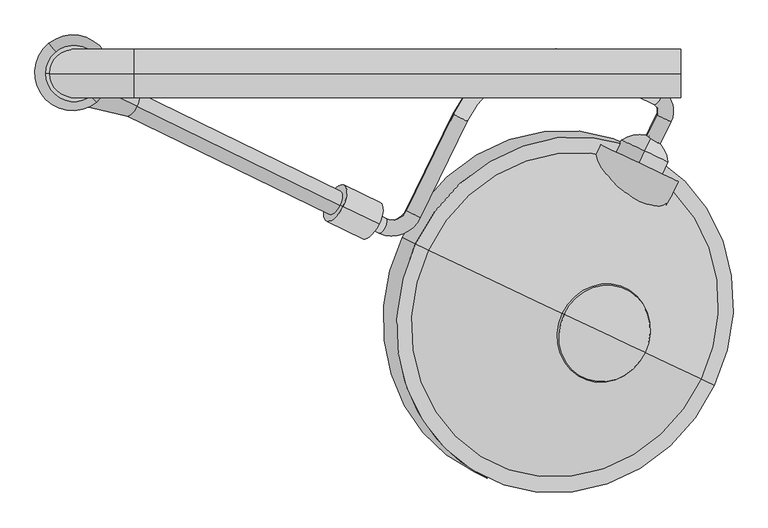
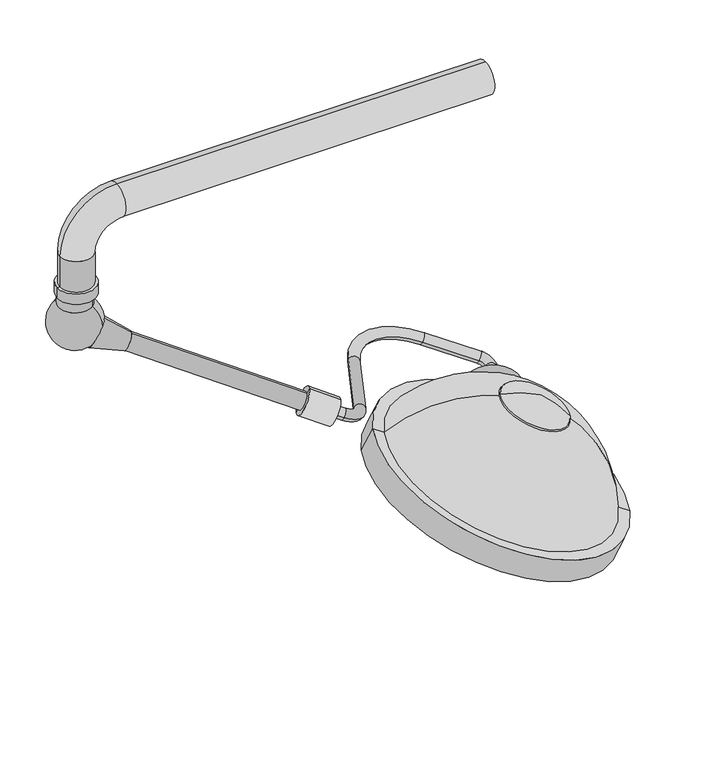
"""IFC4 building model written with IfcOpenShell, lengths in millimetres: proxy geometry."""

from ifc_helpers import new_model, si_unit, point, frame, frame_2d, origin, origin_2d, place, context, project, spatial, polyline, circle_curve, ellipse_curve, trimmed, segment, composite_curve, outline, extrude, source, transform, mapped, element, save
from ifc_brep_helpers import plane_surface, cylinder_surface, revolved_surface, advanced_brep


def specialty_equipment_cc954717(model_context):
    return source(origin(), model_context, "Body", "SolidModel", [
        advanced_brep(
        [(-51.3241797, -117.1586383, 1699.7604265), (-72.1798458, -106.9866502, 1710.0915373), (-30.6483179, -74.7668394, 1699.7604265), (-51.503984, -64.5948514, 1710.0915373), (-56.3645035, -48.094173, 1715.2570926), (-45.2298764, -25.2648042, 1715.2570926), (-148.7448243, 25.2228093, 1766.5344952), (-159.8794514, 2.3934405, 1766.5344952), (-351.8212111, -73.5508439, 1828.5211596), (-372.6768772, -63.3788559, 1838.8522704), (-446.9378356, -215.6363841, 1838.8522704), (-426.0821694, -225.8083721, 1828.5211596), (-490.062756, -251.1231336, 1849.1833811), (-478.9281288, -228.2937648, 1849.1833811), (-557.8921303, -189.780448, 1888.2991704), (-569.0267574, -212.6098168, 1888.2991704)],
        [
            (0, 1, circle_curve(frame((-61.7520127, -112.0726442, 1704.9259819), z_axis=(-0.43837114678908723, -0.8987940462991624, 0.0), x_axis=(-0.8210892183528128, 0.4004719699107489, 0.4067366430758002)), 12.7)),
            (1, 0, circle_curve(frame((-61.7520127, -112.0726442, 1704.9259819), z_axis=(-0.43837114678908723, -0.8987940462991624, 0.0), x_axis=(-0.8210892183528128, 0.4004719699107489, 0.4067366430758002)), 12.7)),
            (0, 2),
            (2, 3, circle_curve(frame((-41.0761509, -69.6808454, 1704.9259819), z_axis=(-0.43837114678908723, -0.8987940462991624, 0.0), x_axis=(-0.8210892183528128, 0.4004719699107489, 0.4067366430758002)), 12.7)),
            (3, 1),
            (3, 2, circle_curve(frame((-41.0761509, -69.6808454, 1704.9259819), z_axis=(-0.43837114678908723, -0.8987940462991624, 0.0), x_axis=(-0.8210892183528128, 0.4004719699107489, 0.4067366430758002)), 12.7)),
            (4, 3, circle_curve(frame((-61.9318171, -59.5088573, 1715.2570926), z_axis=(-0.36557247320823727, 0.17830160866628114, -0.9135454576426009), x_axis=(0.8210892183528128, -0.400471969910749, -0.4067366430758004)), 12.7)),
            (2, 5, circle_curve(frame((-61.9318171, -59.5088573, 1715.2570926), z_axis=(0.36557247320823727, -0.17830160866628114, 0.9135454576426009), x_axis=(0.8210892183528128, -0.400471969910749, -0.4067366430758004)), 38.1)),
            (5, 4, circle_curve(frame((-50.79719, -36.6794886, 1715.2570926), z_axis=(0.8210892183528081, -0.40047196991075856, -0.40673664307580026), x_axis=(-0.43837114678909606, -0.8987940462991579, 0.0)), 12.7)),
            (4, 5, circle_curve(frame((-50.79719, -36.6794886, 1715.2570926), z_axis=(0.8210892183528035, -0.4004719699107681, -0.40673664307580026), x_axis=(-0.43837114678910477, -0.8987940462991536, 0.0)), 12.7)),
            (5, 6),
            (6, 7, circle_curve(frame((-154.3121378, 13.8081249, 1766.5344952), z_axis=(0.821089218352813, -0.4004719699107487, -0.4067366430758005), x_axis=(-0.438371146789087, -0.8987940462991624, 0.0)), 12.7)),
            (7, 4),
            (7, 6, circle_curve(frame((-154.3121378, 13.8081249, 1766.5344952), z_axis=(0.821089218352813, -0.4004719699107487, -0.4067366430758005), x_axis=(-0.438371146789087, -0.8987940462991624, 0.0)), 12.7)),
            (8, 7, circle_curve(frame((-226.6872142, -134.5827721, 1766.5344952), z_axis=(-0.36557247320823727, 0.17830160866628114, -0.9135454576426009), x_axis=(0.43837114678909245, 0.8987940462991597, 0.0)), 152.4)),
            (6, 9, circle_curve(frame((-226.6872142, -134.5827721, 1766.5344952), z_axis=(0.36557247320823727, -0.17830160866628114, 0.9135454576426009), x_axis=(0.43837114678909245, 0.8987940462991597, 0.0)), 177.8)),
            (9, 8, circle_curve(frame((-362.2490441, -68.4648499, 1833.686715), z_axis=(0.4383711467890857, 0.898794046299163, 0.0), x_axis=(0.8210892183528137, -0.40047196991074724, -0.4067366430758006)), 12.7)),
            (8, 9, circle_curve(frame((-362.2490441, -68.4648499, 1833.686715), z_axis=(0.43837114678908473, 0.8987940462991635, 0.0), x_axis=(0.8210892183528142, -0.40047196991074624, -0.4067366430758006)), 12.7)),
            (9, 10),
            (10, 11, circle_curve(frame((-436.5100025, -220.7223781, 1833.686715), z_axis=(0.43837114678908573, 0.898794046299163, 0.0), x_axis=(0.8210892183528136, -0.4004719699107472, -0.40673664307580054)), 12.7)),
            (11, 8),
            (11, 10, circle_curve(frame((-436.5100025, -220.7223781, 1833.686715), z_axis=(0.43837114678908573, 0.898794046299163, 0.0), x_axis=(0.8210892183528136, -0.4004719699107472, -0.40673664307580054)), 12.7)),
            (12, 11, circle_curve(frame((-467.7935017, -205.464396, 1849.1833811), z_axis=(0.36557247320823727, -0.17830160866628114, 0.9135454576426009), x_axis=(0.8210892183528162, -0.40047196991074197, -0.4067366430758004)), 50.8)),
            (10, 13, circle_curve(frame((-467.7935017, -205.464396, 1849.1833811), z_axis=(-0.36557247320823727, 0.17830160866628114, -0.9135454576426009), x_axis=(0.8210892183528162, -0.40047196991074197, -0.4067366430758004)), 25.4)),
            (13, 12, circle_curve(frame((-484.4954424, -239.7084492, 1849.1833811), z_axis=(0.8210892183528163, -0.40047196991074174, -0.40673664307580043), x_axis=(-0.4383711467890809, -0.8987940462991653, 0.0)), 12.7)),
            (12, 13, circle_curve(frame((-484.4954424, -239.7084492, 1849.1833811), z_axis=(0.8210892183528163, -0.40047196991074174, -0.40673664307580043), x_axis=(-0.4383711467890809, -0.8987940462991653, 0.0)), 12.7)),
            (14, 15, circle_curve(frame((-563.4594439, -201.1951324, 1888.2991704), z_axis=(-0.8210892183528147, 0.40047196991074596, 0.4067366430757996), x_axis=(-0.4383711467890845, -0.8987940462991636, 0.0)), 12.7)),
            (15, 14, circle_curve(frame((-563.4594439, -201.1951324, 1888.2991704), z_axis=(-0.8210892183528147, 0.40047196991074596, 0.4067366430757996), x_axis=(-0.4383711467890845, -0.8987940462991636, 0.0)), 12.7)),
            (13, 14),
            (15, 12),
        ],
        [
            plane_surface(frame((-671.2712366, 185.2097446, 181.7710423), z_axis=(-0.43837114678908723, -0.8987940462991623, 0.0), x_axis=(0.3655724732082375, -0.17830160866628111, 0.9135454576426008))),
            cylinder_surface(frame((-61.7520127, -112.0726442, 1704.9259819), z_axis=(-0.4383711467890871, -0.8987940462991622, 0.0), x_axis=(-0.8210892183528128, 0.4004719699107489, 0.4067366430758002)), 12.7),
            revolved_surface(trimmed(ellipse_curve(frame((-41.0761509, -69.6808454, 1704.9259819), z_axis=(-0.4383711467890872, -0.8987940462991622, 0.0), x_axis=(-0.8210892183528128, 0.4004719699107489, 0.40673664307580043)), 12.7, 12.7), [point((-30.6483179, -74.7668394, 1699.7604265))], [point((-51.503984, -64.5948514, 1710.0915373))], True, "CARTESIAN"), (-671.451041, 237.7735315, 192.1021531), (0.36557247320823727, -0.17830160866628114, 0.9135454576426009)),
            revolved_surface(trimmed(ellipse_curve(frame((-41.0761509, -69.6808454, 1704.9259819), z_axis=(-0.4383711467890872, -0.8987940462991622, 0.0), x_axis=(-0.8210892183528128, 0.4004719699107489, 0.40673664307580043)), 12.7, 12.7), [point((-51.503984, -64.5948514, 1710.0915373))], [point((-30.6483179, -74.7668394, 1699.7604265))], True, "CARTESIAN"), (-671.451041, 237.7735315, 192.1021531), (0.36557247320823727, -0.17830160866628114, 0.9135454576426009)),
            cylinder_surface(frame((-50.79719, -36.6794886, 1715.2570926), z_axis=(0.821089218352813, -0.4004719699107487, -0.4067366430758005), x_axis=(-0.438371146789087, -0.8987940462991624, 0.0)), 12.7),
            revolved_surface(trimmed(ellipse_curve(frame((-154.3121378, 13.8081249, 1766.5344952), z_axis=(0.8210892183528102, -0.4004719699107546, -0.4067366430758005), x_axis=(-0.43837114678909245, -0.8987940462991597, 0.0)), 12.7, 12.7), [point((-148.7448243, 25.2228093, 1766.5344952))], [point((-159.8794514, 2.3934405, 1766.5344952))], True, "CARTESIAN"), (-836.2064381, 162.6996167, 243.3795556), (0.36557247320823727, -0.17830160866628114, 0.9135454576426009)),
            revolved_surface(trimmed(ellipse_curve(frame((-154.3121378, 13.8081249, 1766.5344952), z_axis=(0.8210892183528102, -0.4004719699107546, -0.4067366430758005), x_axis=(-0.43837114678909245, -0.8987940462991597, 0.0)), 12.7, 12.7), [point((-159.8794514, 2.3934405, 1766.5344952))], [point((-148.7448243, 25.2228093, 1766.5344952))], True, "CARTESIAN"), (-836.2064381, 162.6996167, 243.3795556), (0.36557247320823727, -0.17830160866628114, 0.9135454576426009)),
            cylinder_surface(frame((-362.2490441, -68.4648499, 1833.686715), z_axis=(0.43837114678908573, 0.898794046299163, 0.0), x_axis=(0.8210892183528136, -0.4004719699107472, -0.40673664307580054)), 12.7),
            revolved_surface(trimmed(ellipse_curve(frame((-436.5100025, -220.7223781, 1833.686715), z_axis=(0.4383711467890808, 0.8987940462991654, 0.0), x_axis=(0.8210892183528162, -0.40047196991074174, -0.4067366430758007)), 12.7, 12.7), [point((-446.9378356, -215.6363841, 1838.8522704))], [point((-426.0821694, -225.8083721, 1828.5211596))], True, "CARTESIAN"), (-1077.3127256, 91.8179928, 326.0284415), (-0.36557247320823727, 0.17830160866628114, -0.9135454576426009)),
            revolved_surface(trimmed(ellipse_curve(frame((-436.5100025, -220.7223781, 1833.686715), z_axis=(0.4383711467890808, 0.8987940462991654, 0.0), x_axis=(0.8210892183528162, -0.40047196991074174, -0.4067366430758007)), 12.7, 12.7), [point((-426.0821694, -225.8083721, 1828.5211596))], [point((-446.9378356, -215.6363841, 1838.8522704))], True, "CARTESIAN"), (-1077.3127256, 91.8179928, 326.0284415), (-0.36557247320823727, 0.17830160866628114, -0.9135454576426009)),
            plane_surface(frame((-1172.9786678, 96.0872565, 365.1442308), z_axis=(-0.8210892183528149, 0.40047196991074596, 0.40673664307579954), x_axis=(0.3655724732082366, -0.17830160866628056, 0.9135454576426013))),
            cylinder_surface(frame((-484.4954424, -239.7084492, 1849.1833811), z_axis=(0.8210892183528149, -0.4004719699107461, -0.4067366430757997), x_axis=(-0.4383711467890845, -0.8987940462991636, 0.0)), 12.7),
        ],
        [
            (0, [[1, 2]]),
            (1, [[-1, 3, 4, 5]]),
            (1, [[-2, -5, 6, -3]]),
            (2, [[7, -4, 8, 9]]),
            (3, [[-8, -6, -7, 10]]),
            (4, [[-9, 11, 12, 13]]),
            (4, [[-10, -13, 14, -11]]),
            (5, [[15, -12, 16, 17]]),
            (6, [[-16, -14, -15, 18]]),
            (7, [[-17, 19, 20, 21]]),
            (7, [[-18, -21, 22, -19]]),
            (8, [[23, -20, 24, 25]]),
            (9, [[-24, -22, -23, 26]]),
            (10, [[27, 28]]),
            (11, [[-25, 29, -28, 30]]),
            (11, [[-26, -30, -27, -29]]),
        ],
    ),
        advanced_brep(
        [(-70.9853036, -121.3111499, 1662.093259), (-70.9853036, -121.3111499, 1743.3108067), (-79.9012214, -140.1413544, 1743.3108067), (-79.9012214, -140.1413544, 1662.093259), (-59.9841849, -98.0770509, 1702.7020328), (-79.9012214, -140.1413544, 1702.7020328)],
        [
            (0, 1, circle_curve(frame((-70.9853036, -121.3111499, 1702.7020328), z_axis=(-0.4279431442574036, -0.9038056568107367, 0.0), x_axis=(0.0, 0.0, 1.0)), 40.6087738)),
            (1, 2),
            (2, 3, circle_curve(frame((-79.9012214, -140.1413544, 1702.7020328), z_axis=(0.4279431442574036, 0.9038056568107367, 0.0), x_axis=(0.0, 0.0, 1.0)), 40.6087738)),
            (3, 0),
            (1, 0, circle_curve(frame((-70.9853036, -121.3111499, 1702.7020328), z_axis=(-0.4279431442574036, -0.9038056568107367, 0.0), x_axis=(0.0, 0.0, 1.0)), 40.6087738)),
            (3, 2, circle_curve(frame((-79.9012214, -140.1413544, 1702.7020328), z_axis=(0.4279431442574036, 0.9038056568107367, 0.0), x_axis=(0.0, 0.0, 1.0)), 40.6087738)),
            (4, 1, circle_curve(frame((-83.4268503, -147.5873981, 1696.4653606), z_axis=(0.9038056568107367, -0.42794314425740376, 0.0), x_axis=(-0.42794314425740393, -0.9038056568107365, 0.0)), 55.1337385)),
            (0, 4, circle_curve(frame((-83.4268503, -147.5873981, 1708.9387051), z_axis=(0.9038056568107369, -0.4279431442574031, 0.0), x_axis=(-0.42794314425740326, -0.9038056568107368, 0.0)), 55.1337385)),
            (2, 5),
            (5, 3),
        ],
        [
            cylinder_surface(frame((-79.9012214, -140.1413544, 1702.7020328), z_axis=(0.4279431442574036, 0.9038056568107367, 0.0), x_axis=(0.0, 0.0, 1.0)), 40.6087738),
            revolved_surface(trimmed(ellipse_curve(frame((-83.4268503, -147.5873981, 1696.4653606), z_axis=(-0.9038056568107367, 0.42794314425740376, 0.0), x_axis=(-0.42794314425740393, -0.9038056568107365, 0.0)), 55.1337385, 55.1337385), [point((-70.9853036, -121.3111499, 1743.3108067))], [point((-59.9841849, -98.0770509, 1702.7020328))], True, "CARTESIAN"), (-79.9012214, -140.1413544, 1702.7020328), (0.4279431442574036, 0.9038056568107367, 0.0)),
            revolved_surface(trimmed(ellipse_curve(frame((-83.4268503, -147.5873981, 1696.4653606), z_axis=(-0.9038056568107365, 0.42794314425740393, 0.0), x_axis=(-0.4279431442574041, -0.9038056568107364, 0.0)), 55.1337385, 55.1337385), [point((-70.9853036, -121.3111499, 1743.3108067))], [point((-59.9841849, -98.0770509, 1702.7020328))], True, "CARTESIAN"), (-79.9012214, -140.1413544, 1702.7020328), (0.4279431442574036, 0.9038056568107367, 0.0)),
            plane_surface(frame((-79.9012214, -140.1413544, 1702.7020328), z_axis=(-0.42794314425740343, -0.9038056568107368, 0.0), x_axis=(0.0, 0.0, 1.0))),
        ],
        [
            (0, [[1, 2, 3, 4]]),
            (0, [[5, -4, 6, -2]]),
            (1, [[7, -1, 8]]),
            (2, [[-8, -5, -7]]),
            (3, [[-3, 9, 10]]),
            (3, [[-6, -10, -9]]),
        ],
    ),
        advanced_brep(
        [(-198.2891405, -379.1713937, 1882.6946884), (-70.3964825, -439.7273172, 1819.6927814), (-123.8504881, -414.417368, 1877.268084), (-200.9060117, -377.9323307, 1880.0876662), (-70.3964825, -439.7273172, 1815.7966478), (-129.8474904, -411.577846, 1862.3650044)],
        [
            (0, 1, circle_curve(frame((-134.3428115, -409.4493554, 1851.1937349), z_axis=(0.3676108788441171, -0.17406015792255894, 0.9135454576426013), x_axis=(0.8256675523711364, -0.3909455155656434, -0.4067366430757995)), 77.4480344)),
            (1, 2, circle_curve(frame((-222.0261973, -367.9321293, 1706.5205002), z_axis=(-0.42794314425740376, -0.9038056568107369, 0.0), x_axis=(-0.9038056568107369, 0.4279431442574038, 0.0)), 202.3711557)),
            (2, 0, circle_curve(frame((-172.8421817, -391.2202799, 1682.2916913), z_axis=(-0.427943144257401, -0.9038056568107382, 0.0), x_axis=(0.604764027172337, -0.2863498556040709, -0.7431448254773931)), 202.3711557)),
            (1, 0, circle_curve(frame((-134.3428115, -409.4493554, 1851.1937349), z_axis=(0.3676108788441171, -0.17406015792255894, 0.9135454576426013), x_axis=(0.8256675523711364, -0.3909455155656434, -0.4067366430757995)), 77.4480344)),
            (3, 4, circle_curve(frame((-135.6512471, -408.8298239, 1847.942157), z_axis=(0.3676108788441171, -0.17406015792255894, 0.9135454576426013), x_axis=(0.8256675523711364, -0.3909455155656434, -0.4067366430757995)), 79.0327347)),
            (4, 1),
            (0, 3),
            (4, 3, circle_curve(frame((-135.6512471, -408.8298239, 1847.942157), z_axis=(0.3676108788441171, -0.17406015792255894, 0.9135454576426013), x_axis=(0.8256675523711364, -0.3909455155656434, -0.4067366430757995)), 79.0327347)),
            (5, 4, circle_curve(frame((-246.9439851, -356.1338003, 1609.6195886), z_axis=(0.42794314425740376, 0.9038056568107369, 0.0), x_axis=(-0.9038056568107369, 0.4279431442574038, 0.0)), 284.0173877)),
            (3, 5, circle_curve(frame((-221.2532479, -368.2981133, 1596.9639329), z_axis=(0.427943144257401, 0.9038056568107382, 0.0), x_axis=(0.604764027172337, -0.2863498556040709, -0.7431448254773931)), 284.0173877)),
        ],
        [
            revolved_surface(trimmed(ellipse_curve(frame((-222.0261973, -367.9321293, 1706.5205002), z_axis=(0.42794314425740376, 0.9038056568107369, 0.0), x_axis=(-0.9038056568107369, 0.4279431442574038, 0.0)), 202.3711557, 202.3711557), [point((-123.8504881, -414.417368, 1877.268084))], [point((-70.3964825, -439.7273172, 1819.6927814))], True, "CARTESIAN"), (-169.8512246, -392.6364689, 1762.9521965), (-0.3676108788441171, 0.17406015792255894, -0.9135454576426013)),
            revolved_surface(trimmed(ellipse_curve(frame((-222.0261973, -367.9321293, 1706.5205002), z_axis=(0.42794314425740376, 0.9038056568107369, 0.0), x_axis=(-0.9038056568107369, 0.42794314425740376, 0.0)), 202.3711557, 202.3711557), [point((-123.8504881, -414.417368, 1877.268084))], [point((-70.3964825, -439.7273172, 1819.6927814))], True, "CARTESIAN"), (-169.8512246, -392.6364689, 1762.9521965), (-0.3676108788441171, 0.17406015792255894, -0.9135454576426013)),
            revolved_surface(polyline([(-70.3964825, -439.7273172, 1819.6927814), (-70.3964825, -439.7273172, 1815.7966478)]), (-169.8512246, -392.6364689, 1762.9521965), (-0.3676108788441171, 0.17406015792255894, -0.9135454576426013)),
            revolved_surface(trimmed(ellipse_curve(frame((-246.9439851, -356.1338003, 1609.6195886), z_axis=(-0.42794314425740376, -0.9038056568107369, 0.0), x_axis=(-0.9038056568107369, 0.4279431442574038, 0.0)), 284.0173877, 284.0173877), [point((-70.3964825, -439.7273172, 1815.7966478))], [point((-129.8474904, -411.577846, 1862.3650044))], True, "CARTESIAN"), (-169.8512246, -392.6364689, 1762.9521965), (-0.3676108788441171, 0.17406015792255894, -0.9135454576426013)),
            revolved_surface(trimmed(ellipse_curve(frame((-246.9439851, -356.1338003, 1609.6195886), z_axis=(-0.42794314425740376, -0.9038056568107369, 0.0), x_axis=(-0.9038056568107369, 0.42794314425740376, 0.0)), 284.0173877, 284.0173877), [point((-70.3964825, -439.7273172, 1815.7966478))], [point((-129.8474904, -411.577846, 1862.3650044))], True, "CARTESIAN"), (-169.8512246, -392.6364689, 1762.9521965), (-0.3676108788441171, 0.17406015792255894, -0.9135454576426013)),
        ],
        [
            (0, [[1, 2, 3]]),
            (1, [[4, -3, -2]]),
            (2, [[5, 6, -1, 7]]),
            (2, [[8, -7, -4, -6]]),
            (3, [[9, -5, 10]]),
            (4, [[-10, -8, -9]]),
        ],
    ),
        advanced_brep(
        [(-266.4821549, -346.8826679, 1522.8158117), (-276.9681328, -341.9176599, 1527.9813671), (-255.996177, -351.847676, 1517.6502563), (-263.0629437, -348.501631, 1507.6425198), (-278.9613242, -340.9739032, 1515.4743086), (-271.0121339, -344.7377671, 1511.5584142)],
        [
            (0, 1),
            (1, 2, circle_curve(frame((-266.4821549, -346.8826679, 1522.8158117), z_axis=(0.36761087884411703, -0.17406015792255897, 0.9135454576426013), x_axis=(-0.8256675523711364, 0.3909455155656434, 0.40673664307579943)), 12.7)),
            (2, 0),
            (2, 1, circle_curve(frame((-266.4821549, -346.8826679, 1522.8158117), z_axis=(0.36761087884411703, -0.17406015792255897, 0.9135454576426013), x_axis=(-0.8256675523711364, 0.3909455155656434, 0.40673664307579943)), 12.7)),
            (3, 4, circle_curve(frame((-271.0121339, -344.7377671, 1511.5584142), z_axis=(-0.36761087884411703, 0.17406015792255897, -0.9135454576426013), x_axis=(-0.8256675523711364, 0.3909455155656434, 0.40673664307579943)), 9.6275919)),
            (4, 5),
            (5, 3),
            (4, 3, circle_curve(frame((-271.0121339, -344.7377671, 1511.5584142), z_axis=(-0.36761087884411703, 0.17406015792255897, -0.9135454576426013), x_axis=(-0.8256675523711364, 0.3909455155656434, 0.40673664307579943)), 9.6275919)),
            (1, 4),
            (3, 2),
        ],
        [
            plane_surface(frame((-266.4821549, -346.8826679, 1522.8158117), z_axis=(0.36761087884411714, -0.1740601579225589, 0.9135454576426014), x_axis=(-0.8256675523711364, 0.3909455155656434, 0.40673664307579943))),
            plane_surface(frame((-271.0121339, -344.7377671, 1511.5584142), z_axis=(-0.36761087884411714, 0.1740601579225589, -0.9135454576426014), x_axis=(-0.8256675523711364, 0.3909455155656434, 0.40673664307579943))),
            revolved_surface(polyline([(-278.9613242, -340.9739032, 1515.4743086), (-276.9681328, -341.9176599, 1527.9813671)]), (-229.1328896, -364.56718, 1615.6320302), (0.36761087884411703, -0.17406015792255897, 0.9135454576426013)),
        ],
        [
            (0, [[1, 2, 3]]),
            (0, [[-3, 4, -1]]),
            (1, [[5, 6, 7]]),
            (1, [[8, -7, -6]]),
            (2, [[-2, 9, -5, 10]]),
            (2, [[-4, -10, -8, -9]]),
        ],
    ),
        advanced_brep(
        [(-229.1328896, -364.56718, 1615.6320302), (-244.8618565, -357.1196679, 1623.3803632), (-213.4039227, -372.014692, 1607.8836971), (-250.753188, -354.33018, 1515.0674786), (-282.2111217, -339.4351558, 1530.5641447), (-266.4821549, -346.8826679, 1522.8158117)],
        [
            (0, 1),
            (1, 2, circle_curve(frame((-229.1328896, -364.56718, 1615.6320302), z_axis=(0.36761087884411703, -0.17406015792255897, 0.9135454576426013), x_axis=(-0.8256675523711364, 0.3909455155656434, 0.40673664307579943)), 19.05)),
            (2, 0),
            (2, 1, circle_curve(frame((-229.1328896, -364.56718, 1615.6320302), z_axis=(0.36761087884411703, -0.17406015792255897, 0.9135454576426013), x_axis=(-0.8256675523711364, 0.3909455155656434, 0.40673664307579943)), 19.05)),
            (3, 4, circle_curve(frame((-266.4821549, -346.8826679, 1522.8158117), z_axis=(-0.36761087884411703, 0.17406015792255897, -0.9135454576426013), x_axis=(-0.8256675523711364, 0.3909455155656434, 0.40673664307579943)), 19.05)),
            (4, 5),
            (5, 3),
            (4, 3, circle_curve(frame((-266.4821549, -346.8826679, 1522.8158117), z_axis=(-0.36761087884411703, 0.17406015792255897, -0.9135454576426013), x_axis=(-0.8256675523711364, 0.3909455155656434, 0.40673664307579943)), 19.05)),
            (1, 4),
            (3, 2),
        ],
        [
            plane_surface(frame((-229.1328896, -364.56718, 1615.6320302), z_axis=(0.36761087884411714, -0.1740601579225589, 0.9135454576426014), x_axis=(-0.8256675523711364, 0.3909455155656434, 0.40673664307579943))),
            plane_surface(frame((-266.4821549, -346.8826679, 1522.8158117), z_axis=(-0.36761087884411714, 0.1740601579225589, -0.9135454576426014), x_axis=(-0.8256675523711364, 0.3909455155656434, 0.40673664307579943))),
            cylinder_surface(frame((-229.1328896, -364.56718, 1615.6320302), z_axis=(0.36761087884411703, -0.17406015792255897, 0.9135454576426013), x_axis=(-0.8256675523711364, 0.3909455155656434, 0.40673664307579943)), 19.05),
        ],
        [
            (0, [[1, 2, 3]]),
            (0, [[-3, 4, -1]]),
            (1, [[5, 6, 7]]),
            (1, [[8, -7, -6]]),
            (2, [[-2, 9, -5, 10]]),
            (2, [[-4, -10, -8, -9]]),
        ],
    ),
        advanced_brep(
        [(-222.1299023, -367.883026, 1633.0350712), (-258.830825, -350.5054978, 1651.1145149), (-185.4289796, -385.2605541, 1614.9556274), (-192.4319669, -381.9447081, 1597.5525864), (-265.8338123, -347.1896518, 1633.711474), (-229.1328896, -364.56718, 1615.6320302)],
        [
            (0, 1),
            (1, 2, circle_curve(frame((-222.1299023, -367.883026, 1633.0350712), z_axis=(0.3676108788441165, -0.1740601579225587, 0.9135454576426016), x_axis=(-0.8256675523711366, 0.3909455155656435, 0.4067366430757988)), 44.45)),
            (2, 0),
            (2, 1, circle_curve(frame((-222.1299023, -367.883026, 1633.0350712), z_axis=(0.3676108788441165, -0.1740601579225587, 0.9135454576426016), x_axis=(-0.8256675523711366, 0.3909455155656435, 0.4067366430757988)), 44.45)),
            (3, 4, circle_curve(frame((-229.1328896, -364.56718, 1615.6320302), z_axis=(-0.3676108788441165, 0.1740601579225587, -0.9135454576426016), x_axis=(-0.8256675523711366, 0.3909455155656435, 0.4067366430757988)), 44.45)),
            (4, 5),
            (5, 3),
            (4, 3, circle_curve(frame((-229.1328896, -364.56718, 1615.6320302), z_axis=(-0.3676108788441165, 0.1740601579225587, -0.9135454576426016), x_axis=(-0.8256675523711366, 0.3909455155656435, 0.4067366430757988)), 44.45)),
            (1, 4),
            (3, 2),
        ],
        [
            plane_surface(frame((-222.1299023, -367.883026, 1633.0350712), z_axis=(0.3676108788441166, -0.17406015792255863, 0.9135454576426016), x_axis=(-0.8256675523711366, 0.3909455155656435, 0.4067366430757988))),
            plane_surface(frame((-229.1328896, -364.56718, 1615.6320302), z_axis=(-0.3676108788441166, 0.17406015792255863, -0.9135454576426016), x_axis=(-0.8256675523711366, 0.3909455155656435, 0.4067366430757988))),
            cylinder_surface(frame((-222.1299023, -367.883026, 1633.0350712), z_axis=(0.3676108788441165, -0.1740601579225587, 0.9135454576426016), x_axis=(-0.8256675523711366, 0.3909455155656435, 0.4067366430757988)), 44.45),
        ],
        [
            (0, [[1, 2, 3]]),
            (0, [[-3, 4, -1]]),
            (1, [[5, 6, 7]]),
            (1, [[8, -7, -6]]),
            (2, [[-2, 9, -5, 10]]),
            (2, [[-4, -10, -8, -9]]),
        ],
    ),
        advanced_brep(
        [(-217.8648709, -369.9024767, 1643.6340505), (-265.0517715, -347.5599405, 1666.8790497), (-170.6779703, -392.2450129, 1620.3890514), (-179.2080332, -388.2061115, 1611.8910927), (-265.0517715, -347.5599405, 1654.1790497), (-222.1299023, -367.883026, 1633.0350712)],
        [
            (0, 1),
            (1, 2, circle_curve(frame((-217.8648709, -369.9024767, 1643.6340505), z_axis=(0.36761087884411725, -0.17406015792255908, 0.9135454576426012), x_axis=(-0.8256675523711363, 0.39094551556564333, 0.4067366430757997)), 57.15)),
            (2, 0),
            (2, 1, circle_curve(frame((-217.8648709, -369.9024767, 1643.6340505), z_axis=(0.36761087884411725, -0.17406015792255908, 0.9135454576426012), x_axis=(-0.8256675523711363, 0.39094551556564333, 0.4067366430757997)), 57.15)),
            (3, 4, circle_curve(frame((-222.1299023, -367.883026, 1633.0350712), z_axis=(-0.36761087884411725, 0.17406015792255908, -0.9135454576426012), x_axis=(-0.8256675523711363, 0.39094551556564333, 0.4067366430757997)), 51.9844446)),
            (4, 5),
            (5, 3),
            (4, 3, circle_curve(frame((-222.1299023, -367.883026, 1633.0350712), z_axis=(-0.36761087884411725, 0.17406015792255908, -0.9135454576426012), x_axis=(-0.8256675523711363, 0.39094551556564333, 0.4067366430757997)), 51.9844446)),
            (1, 4),
            (3, 2),
        ],
        [
            plane_surface(frame((-217.8648709, -369.9024767, 1643.6340505), z_axis=(0.36761087884411736, -0.17406015792255902, 0.9135454576426013), x_axis=(-0.8256675523711363, 0.39094551556564333, 0.4067366430757997))),
            plane_surface(frame((-222.1299023, -367.883026, 1633.0350712), z_axis=(-0.36761087884411736, 0.17406015792255902, -0.9135454576426013), x_axis=(-0.8256675523711363, 0.39094551556564333, 0.4067366430757997))),
            revolved_surface(polyline([(-265.0517715, -347.5599405, 1654.1790497), (-265.0517715, -347.5599405, 1666.8790497)]), (-217.8648709, -369.9024767, 1643.6340505), (0.36761087884411725, -0.17406015792255908, 0.9135454576426012)),
        ],
        [
            (0, [[1, 2, 3]]),
            (0, [[-3, 4, -1]]),
            (1, [[5, 6, 7]]),
            (1, [[8, -7, -6]]),
            (2, [[-2, 9, -5, 10]]),
            (2, [[-4, -10, -8, -9]]),
        ],
    ),
        extrude(outline(composite_curve([segment(polyline([(-25.1937137, -4.6953206), (31.6273953, -132.3176211)]), True, "CONTINUOUS"), segment(trimmed(circle_curve(frame_2d((0.0, -69.9387006)), 69.9387006), [point((31.6273953, -132.3176211))], [point((-25.1937137, -4.6953206))], False, "CARTESIAN"), True, "CONTINUOUS")], self_intersect=False)), frame((-180.69854, -185.6429253, 1699.0600142), z_axis=(0.42794314425740343, 0.9038056568107368, 0.0), x_axis=(0.0, 0.0, -1.0)), (0.0, 0.0, 1.0), 84.2600986),
        advanced_brep(
        [(-411.8184564, -278.0673497, 1801.7370584), (18.1066381, -481.6326797, 1589.9492884), (-129.8408016, -411.5810131, 1862.3816266), (-406.0906916, -280.7793904, 1798.9154726), (12.3788733, -478.920639, 1592.7708742), (-132.17953, -410.4736481, 1856.5696802)],
        [
            (0, 1, circle_curve(frame((-196.8559092, -379.8500147, 1695.8431734), z_axis=(0.3676108788441172, -0.17406015792255902, 0.9135454576426013), x_axis=(0.8256675523711364, -0.3909455155656434, -0.4067366430757996)), 260.35)),
            (1, 2, circle_curve(frame((-256.5953432, -351.5639766, 1592.718951), z_axis=(-0.4279431442574038, -0.9038056568107369, 0.0), x_axis=(-0.9038056568107368, 0.4279431442574038, 0.0)), 303.9518334)),
            (2, 0, circle_curve(frame((-226.1466857, -365.9811183, 1577.7194701), z_axis=(-0.42794314425740104, -0.9038056568107381, 0.0), x_axis=(0.6047640271723369, -0.28634985560407084, -0.7431448254773931)), 303.9518334)),
            (1, 0, circle_curve(frame((-196.8559092, -379.8500147, 1695.8431734), z_axis=(0.3676108788441172, -0.17406015792255902, 0.9135454576426013), x_axis=(0.8256675523711364, -0.3909455155656434, -0.4067366430757996)), 260.35)),
            (3, 4, circle_curve(frame((-196.8559092, -379.8500147, 1695.8431734), z_axis=(0.3676108788441172, -0.17406015792255902, 0.9135454576426013), x_axis=(0.8256675523711364, -0.3909455155656434, -0.4067366430757996)), 253.412868)),
            (4, 1),
            (0, 3),
            (4, 3, circle_curve(frame((-196.8559092, -379.8500147, 1695.8431734), z_axis=(0.3676108788441172, -0.17406015792255902, 0.9135454576426013), x_axis=(0.8256675523711364, -0.3909455155656434, -0.4067366430757996)), 253.412868)),
            (5, 4, circle_curve(frame((-256.5953432, -351.5639766, 1592.718951), z_axis=(0.4279431442574038, 0.9038056568107369, 0.0), x_axis=(-0.9038056568107368, 0.4279431442574038, 0.0)), 297.6018334)),
            (3, 5, circle_curve(frame((-226.1466857, -365.9811183, 1577.7194701), z_axis=(0.42794314425740104, 0.9038056568107381, 0.0), x_axis=(0.6047640271723369, -0.28634985560407084, -0.7431448254773931)), 297.6018334)),
        ],
        [
            revolved_surface(trimmed(ellipse_curve(frame((-256.5953432, -351.5639766, 1592.718951), z_axis=(0.4279431442574038, 0.9038056568107369, 0.0), x_axis=(-0.9038056568107368, 0.4279431442574038, 0.0)), 303.9518334, 303.9518334), [point((-129.8408016, -411.5810131, 1862.3816266))], [point((18.1066381, -481.6326797, 1589.9492884))], True, "CARTESIAN"), (-196.8559092, -379.8500147, 1695.8431734), (-0.3676108788441172, 0.17406015792255902, -0.9135454576426013)),
            revolved_surface(trimmed(ellipse_curve(frame((-256.5953432, -351.5639766, 1592.718951), z_axis=(0.4279431442574037, 0.9038056568107367, 0.0), x_axis=(-0.9038056568107368, 0.42794314425740376, 0.0)), 303.9518334, 303.9518334), [point((-129.8408016, -411.5810131, 1862.3816266))], [point((18.1066381, -481.6326797, 1589.9492884))], True, "CARTESIAN"), (-196.8559092, -379.8500147, 1695.8431734), (-0.3676108788441172, 0.17406015792255902, -0.9135454576426013)),
            plane_surface(frame((-196.8559092, -379.8500147, 1695.8431734), z_axis=(-0.3676108788441172, 0.17406015792255894, -0.9135454576426013), x_axis=(0.8256675523711363, -0.39094551556564333, -0.40673664307579954))),
            revolved_surface(trimmed(ellipse_curve(frame((-256.5953432, -351.5639766, 1592.718951), z_axis=(-0.4279431442574038, -0.9038056568107369, 0.0), x_axis=(-0.9038056568107368, 0.4279431442574038, 0.0)), 297.6018334, 297.6018334), [point((12.3788733, -478.920639, 1592.7708742))], [point((-132.17953, -410.4736481, 1856.5696802))], True, "CARTESIAN"), (-196.8559092, -379.8500147, 1695.8431734), (-0.3676108788441172, 0.17406015792255902, -0.9135454576426013)),
            revolved_surface(trimmed(ellipse_curve(frame((-256.5953432, -351.5639766, 1592.718951), z_axis=(-0.4279431442574037, -0.9038056568107367, 0.0), x_axis=(-0.9038056568107368, 0.42794314425740376, 0.0)), 297.6018334, 297.6018334), [point((12.3788733, -478.920639, 1592.7708742))], [point((-132.17953, -410.4736481, 1856.5696802))], True, "CARTESIAN"), (-196.8559092, -379.8500147, 1695.8431734), (-0.3676108788441172, 0.17406015792255902, -0.9135454576426013)),
        ],
        [
            (0, [[1, 2, 3]]),
            (1, [[4, -3, -2]]),
            (2, [[5, 6, -1, 7]]),
            (2, [[8, -7, -4, -6]]),
            (3, [[9, -5, 10]]),
            (4, [[-10, -8, -9]]),
        ],
    ),
        advanced_brep(
        [(-453.799374, -258.1897956, 1759.8590463), (18.0696322, -481.6151577, 1527.4090547), (39.0785939, -491.5626958, 1579.6181777), (-432.7904123, -268.1373336, 1812.0681692), (-448.556385, -260.6722996, 1757.2762686), (12.8266432, -479.1326537, 1529.9918324), (-429.8817524, -269.5145556, 1803.6843778), (31.5012759, -487.9749097, 1576.3999417), (-199.1902382, -378.7447327, 1690.0421598), (-196.8559092, -379.8500147, 1695.8431734)],
        [
            (0, 1, circle_curve(frame((-217.8648709, -369.9024767, 1643.6340505), z_axis=(0.3676108788441169, -0.17406015792255886, 0.9135454576426014), x_axis=(0.8256675523711365, -0.39094551556564344, -0.40673664307579926)), 285.75)),
            (1, 2),
            (2, 3, circle_curve(frame((-196.8559092, -379.8500147, 1695.8431734), z_axis=(-0.3676108788441169, 0.17406015792255886, -0.9135454576426014), x_axis=(0.8256675523711365, -0.39094551556564344, -0.40673664307579926)), 285.75)),
            (3, 0),
            (1, 0, circle_curve(frame((-217.8648709, -369.9024767, 1643.6340505), z_axis=(0.3676108788441169, -0.17406015792255886, 0.9135454576426014), x_axis=(0.8256675523711365, -0.39094551556564344, -0.40673664307579926)), 285.75)),
            (3, 2, circle_curve(frame((-196.8559092, -379.8500147, 1695.8431734), z_axis=(-0.3676108788441169, 0.17406015792255886, -0.9135454576426014), x_axis=(0.8256675523711365, -0.39094551556564344, -0.40673664307579926)), 285.75)),
            (4, 5, circle_curve(frame((-217.8648709, -369.9024767, 1643.6340505), z_axis=(0.3676108788441169, -0.17406015792255886, 0.9135454576426014), x_axis=(0.8256675523711365, -0.39094551556564344, -0.40673664307579926)), 279.4)),
            (5, 1),
            (0, 4),
            (5, 4, circle_curve(frame((-217.8648709, -369.9024767, 1643.6340505), z_axis=(0.3676108788441169, -0.17406015792255886, 0.9135454576426014), x_axis=(0.8256675523711365, -0.39094551556564344, -0.40673664307579926)), 279.4)),
            (6, 7, circle_curve(frame((-199.1902382, -378.7447327, 1690.0421598), z_axis=(0.3676108788441169, -0.17406015792255886, 0.9135454576426014), x_axis=(0.8256675523711365, -0.39094551556564344, -0.40673664307579926)), 279.4)),
            (7, 5),
            (4, 6),
            (7, 6, circle_curve(frame((-199.1902382, -378.7447327, 1690.0421598), z_axis=(0.3676108788441169, -0.17406015792255886, 0.9135454576426014), x_axis=(0.8256675523711365, -0.39094551556564344, -0.40673664307579926)), 279.4)),
            (8, 7),
            (6, 8),
            (2, 9),
            (9, 3),
        ],
        [
            cylinder_surface(frame((-217.8648709, -369.9024767, 1643.6340505), z_axis=(-0.3676108788441169, 0.17406015792255886, -0.9135454576426014), x_axis=(0.8256675523711365, -0.39094551556564344, -0.40673664307579926)), 285.75),
            plane_surface(frame((-217.8648709, -369.9024767, 1643.6340505), z_axis=(-0.3676108788441169, 0.1740601579225588, -0.9135454576426014), x_axis=(0.8256675523711364, -0.3909455155656434, -0.4067366430757992))),
            revolved_surface(polyline([(12.826643216697533, -479.1326537415606, 1529.9918323853624), (31.50127590111487, -487.9749097825572, 1576.3999417308635)]), (-217.8648709, -369.9024767, 1643.6340505), (-0.3676108788441169, 0.17406015792255886, -0.9135454576426014)),
            plane_surface(frame((-199.1902382, -378.7447327, 1690.0421598), z_axis=(-0.3676108788441169, 0.1740601579225588, -0.9135454576426014), x_axis=(0.8256675523711364, -0.3909455155656434, -0.4067366430757992))),
            plane_surface(frame((-196.8559092, -379.8500147, 1695.8431734), z_axis=(0.3676108788441169, -0.1740601579225588, 0.9135454576426014), x_axis=(0.8256675523711364, -0.3909455155656434, -0.4067366430757992))),
        ],
        [
            (0, [[1, 2, 3, 4]]),
            (0, [[5, -4, 6, -2]]),
            (1, [[7, 8, -1, 9]]),
            (1, [[10, -9, -5, -8]]),
            (2, [[11, 12, -7, 13]]),
            (2, [[14, -13, -10, -12]]),
            (3, [[15, -11, 16]]),
            (3, [[-16, -14, -15]]),
            (4, [[-3, 17, 18]]),
            (4, [[-6, -18, -17]]),
        ],
    ),
        advanced_brep(
        [(-571.2157425, -197.4121328, 1857.3919398), (-547.0954721, -209.1763747, 1914.9424843), (-559.1556073, -203.2942537, 1886.167212), (-514.3170471, -225.1634808, 1827.8720542), (-490.1967767, -236.9277227, 1885.4225987), (-502.2569119, -231.0456017, 1856.6473264)],
        [
            (0, 1, circle_curve(frame((-559.1556073, -203.2942537, 1886.167212), z_axis=(-0.8145840431031117, 0.3972991839471335, 0.42261826174069883), x_axis=(0.37984677750984175, -0.18526365205327952, 0.9063077870366504)), 31.75)),
            (1, 2),
            (2, 0),
            (1, 0, circle_curve(frame((-559.1556073, -203.2942537, 1886.167212), z_axis=(-0.8145840431031117, 0.3972991839471335, 0.42261826174069883), x_axis=(0.37984677750984175, -0.18526365205327952, 0.9063077870366504)), 31.75)),
            (3, 4, circle_curve(frame((-502.2569119, -231.0456017, 1856.6473264), z_axis=(-0.8145840431031117, 0.3972991839471335, 0.42261826174069883), x_axis=(0.37984677750984175, -0.18526365205327952, 0.9063077870366504)), 31.75)),
            (4, 1),
            (0, 3),
            (4, 3, circle_curve(frame((-502.2569119, -231.0456017, 1856.6473264), z_axis=(-0.8145840431031117, 0.3972991839471335, 0.42261826174069883), x_axis=(0.37984677750984175, -0.18526365205327952, 0.9063077870366504)), 31.75)),
            (5, 4),
            (3, 5),
        ],
        [
            plane_surface(frame((-559.1556073, -203.2942537, 1886.167212), z_axis=(-0.8145840431031117, 0.3972991839471334, 0.42261826174069883), x_axis=(0.37984677750984175, -0.18526365205327952, 0.9063077870366504))),
            cylinder_surface(frame((-559.1556073, -203.2942537, 1886.167212), z_axis=(0.8145840431031117, -0.3972991839471335, -0.42261826174069883), x_axis=(0.37984677750984175, -0.18526365205327952, 0.9063077870366504)), 31.75),
            plane_surface(frame((-502.2569119, -231.0456017, 1856.6473264), z_axis=(0.8145840431031117, -0.3972991839471334, -0.42261826174069883), x_axis=(0.37984677750984175, -0.18526365205327952, 0.9063077870366504))),
        ],
        [
            (0, [[1, 2, 3]]),
            (0, [[4, -3, -2]]),
            (1, [[5, 6, -1, 7]]),
            (1, [[8, -7, -4, -6]]),
            (2, [[9, -5, 10]]),
            (2, [[-10, -8, -9]]),
        ],
    ),
        extrude(outline(composite_curve([segment(trimmed(circle_curve(origin_2d(), 20.2288163), [point((0.0, -20.2288164))], [point((0.0, 20.2288163))], False, "CARTESIAN"), True, "CONTINUOUS"), segment(trimmed(circle_curve(origin_2d(), 20.2288163), [point((0.0, 20.2288163))], [point((0.0, -20.2288164))], False, "CARTESIAN"), True, "CONTINUOUS")], self_intersect=False)), frame((-559.1556073, -203.2942537, 1886.167212), z_axis=(-0.8145840431031119, 0.39729918394713354, 0.4226182617406987), x_axis=(0.4383711467890842, 0.8987940462991637, 0.0)), (0.0, 0.0, 1.0), 393.7),
        advanced_brep(
        [(-940.9549717, -17.0782614, 2081.4066897), (-953.8120625, -10.8074392, 2047.7066358), (-928.0978809, -23.3490836, 2115.1067436), (-872.3231351, -50.5522448, 2072.3001347), (-887.391555, -43.2028853, 2032.8039086), (-879.8573451, -46.877565, 2052.5520217)],
        [
            (0, 1),
            (1, 2, circle_curve(frame((-940.9549717, -17.0782614, 2081.4066897), z_axis=(-0.8273442818725376, 0.40352276823286415, 0.39073112848927416), x_axis=(-0.3511868119899131, 0.1712852528820361, -0.9205048534524402)), 36.6104033)),
            (2, 0),
            (2, 1, circle_curve(frame((-940.9549717, -17.0782614, 2081.4066897), z_axis=(-0.8273442818725376, 0.40352276823286415, 0.39073112848927416), x_axis=(-0.3511868119899131, 0.1712852528820361, -0.9205048534524402)), 36.6104033)),
            (3, 4, circle_curve(frame((-879.8573451, -46.877565, 2052.5520217), z_axis=(0.8273442818725376, -0.40352276823286415, -0.39073112848927416), x_axis=(-0.3511868119899131, 0.1712852528820361, -0.9205048534524402)), 21.4535676)),
            (4, 5),
            (5, 3),
            (4, 3, circle_curve(frame((-879.8573451, -46.877565, 2052.5520217), z_axis=(0.8273442818725376, -0.40352276823286415, -0.39073112848927416), x_axis=(-0.3511868119899131, 0.1712852528820361, -0.9205048534524402)), 21.4535676)),
            (1, 4),
            (3, 2),
        ],
        [
            plane_surface(frame((-940.9549717, -17.0782614, 2081.4066897), z_axis=(-0.8273442818725375, 0.40352276823286404, 0.39073112848927416), x_axis=(-0.35118681198991314, 0.17128525288203614, -0.9205048534524403))),
            plane_surface(frame((-879.8573451, -46.877565, 2052.5520217), z_axis=(0.8273442818725375, -0.40352276823286404, -0.39073112848927416), x_axis=(-0.35118681198991314, 0.17128525288203614, -0.9205048534524403))),
            revolved_surface(polyline([(-887.391555, -43.2028853, 2032.8039086), (-953.8120625, -10.8074392, 2047.7066358)]), (-921.8864346, -26.3786084, 2072.401163), (-0.8273442818725374, 0.40352276823286404, 0.39073112848927405)),
        ],
        [
            (0, [[1, 2, 3]]),
            (0, [[-3, 4, -1]]),
            (1, [[5, 6, 7]]),
            (1, [[8, -7, -6]]),
            (2, [[-2, 9, -5, 10]]),
            (2, [[-4, -10, -8, -9]]),
        ],
    ),
        advanced_brep(
        [(-973.5341458, 2.38967, 2175.962195), (-949.5570389, -27.2195911, 2175.962195), (-997.5112527, 31.9989311, 2175.962195), (-997.5112527, 31.9989311, 2150.1869575), (-949.5570389, -27.2195911, 2150.1869575), (-973.5341458, 2.38967, 2044.1286543)],
        [
            (0, 1),
            (1, 2, circle_curve(frame((-973.5341458, 2.38967, 2175.962195), z_axis=(0.0, 0.0, 1.0), x_axis=(0.62932039104983, -0.7771459614569771, 0.0)), 38.1)),
            (2, 0),
            (2, 1, circle_curve(frame((-973.5341458, 2.38967, 2175.962195), z_axis=(0.0, 0.0, 1.0), x_axis=(0.62932039104983, -0.7771459614569771, 0.0)), 38.1)),
            (3, 4, circle_curve(frame((-973.5341458, 2.38967, 2150.1869575), z_axis=(0.0, 0.0, -1.0), x_axis=(0.62932039104983, -0.7771459614569771, 0.0)), 38.1)),
            (4, 5, circle_curve(frame((-973.5341458, 2.38967, 2104.0012588), z_axis=(0.7771459614569772, 0.6293203910498298, 0.0), x_axis=(0.6293203910498298, -0.7771459614569772, 0.0)), 59.8726045)),
            (5, 3, circle_curve(frame((-973.5341458, 2.38967, 2104.0012588), z_axis=(0.7771459614569792, 0.6293203910498274, 0.0), x_axis=(-0.6293203910498274, 0.7771459614569792, 0.0)), 59.8726045)),
            (4, 3, circle_curve(frame((-973.5341458, 2.38967, 2150.1869575), z_axis=(0.0, 0.0, -1.0), x_axis=(0.62932039104983, -0.7771459614569771, 0.0)), 38.1)),
            (1, 4),
            (3, 2),
        ],
        [
            plane_surface(frame((-973.5341458, 2.38967, 2175.962195), z_axis=(0.0, 0.0, 1.0000000000000002), x_axis=(0.62932039104983, -0.7771459614569771, 0.0))),
            revolved_surface(trimmed(ellipse_curve(frame((-973.5341458, 2.38967, 2104.0012588), z_axis=(-0.7771459614569772, -0.6293203910498298, 0.0), x_axis=(0.6293203910498298, -0.7771459614569772, 0.0)), 59.8726045, 59.8726045), [point((-973.5341458, 2.38967, 2044.1286543))], [point((-949.5570389, -27.2195911, 2150.1869575))], True, "CARTESIAN"), (-973.5341458, 2.38967, 2175.962195), (0.0, 0.0, 1.0)),
            cylinder_surface(frame((-973.5341458, 2.38967, 2175.962195), z_axis=(0.0, 0.0, 1.0), x_axis=(0.62932039104983, -0.7771459614569771, 0.0)), 38.1),
        ],
        [
            (0, [[1, 2, 3]]),
            (0, [[-3, 4, -1]]),
            (1, [[5, 6, 7]]),
            (1, [[8, -7, -6]]),
            (2, [[-2, 9, -5, 10]]),
            (2, [[-4, -10, -8, -9]]),
        ],
    ),
        advanced_brep(
        [(-927.1, 1.1674111, 2175.962195), (-1016.0, 1.1674111, 2175.962195), (-971.55, 1.1674111, 2175.962195), (-927.1, 1.1674111, 2201.362195), (-1016.0, 1.1674111, 2201.362195), (-971.55, 1.1674111, 2201.362195)],
        [
            (0, 1, circle_curve(frame((-971.55, 1.1674111, 2175.962195), z_axis=(0.0, 0.0, -1.0), x_axis=(-1.0, 0.0, 0.0)), 44.45)),
            (1, 2),
            (2, 0),
            (1, 0, circle_curve(frame((-971.55, 1.1674111, 2175.962195), z_axis=(0.0, 0.0, -1.0), x_axis=(-1.0, 0.0, 0.0)), 44.45)),
            (3, 4, circle_curve(frame((-971.55, 1.1674111, 2201.362195), z_axis=(0.0, 0.0, -1.0), x_axis=(-1.0, 0.0, 0.0)), 44.45)),
            (4, 1),
            (0, 3),
            (4, 3, circle_curve(frame((-971.55, 1.1674111, 2201.362195), z_axis=(0.0, 0.0, -1.0), x_axis=(-1.0, 0.0, 0.0)), 44.45)),
            (5, 4),
            (3, 5),
        ],
        [
            plane_surface(frame((-971.55, 1.1674111, 2175.962195), z_axis=(0.0, 0.0, -1.0), x_axis=(-1.0, 0.0, 0.0))),
            cylinder_surface(frame((-971.55, 1.1674111, 2201.362195), z_axis=(0.0, 0.0, 1.0), x_axis=(-1.0, 0.0, 0.0)), 44.45),
            plane_surface(frame((-971.55, 1.1674111, 2201.362195), z_axis=(0.0, 0.0, 1.0), x_axis=(-1.0, 0.0, 0.0))),
        ],
        [
            (0, [[1, 2, 3]]),
            (0, [[4, -3, -2]]),
            (1, [[5, 6, -1, 7]]),
            (1, [[8, -7, -4, -6]]),
            (2, [[9, -5, 10]]),
            (2, [[-10, -8, -9]]),
        ],
    ),
        advanced_brep(
        [(-14.4818275, 1.1674111, 2334.712195), (-14.4818275, 1.1674111, 2410.912195), (-876.3, 1.1674111, 2334.712195), (-876.3, 1.1674111, 2410.912195), (-1009.65, 1.1674111, 2277.562195), (-933.45, 1.1674111, 2277.562195), (-933.45, 1.1674111, 2201.362195), (-1009.65, 1.1674111, 2201.362195)],
        [
            (0, 1, circle_curve(frame((-14.4818275, 1.1674111, 2372.812195), z_axis=(1.0, 0.0, 0.0), x_axis=(0.0, 0.0, 1.0)), 38.1)),
            (1, 0, circle_curve(frame((-14.4818275, 1.1674111, 2372.812195), z_axis=(1.0, 0.0, 0.0), x_axis=(0.0, 0.0, 1.0)), 38.1)),
            (0, 2),
            (2, 3, circle_curve(frame((-876.3, 1.1674111, 2372.812195), z_axis=(1.0, 0.0, 0.0), x_axis=(0.0, 0.0, 1.0)), 38.1)),
            (3, 1),
            (3, 2, circle_curve(frame((-876.3, 1.1674111, 2372.812195), z_axis=(1.0, 0.0, 0.0), x_axis=(0.0, 0.0, 1.0)), 38.1)),
            (4, 3, circle_curve(frame((-876.3, 1.1674111, 2277.562195), z_axis=(0.0, 1.0, 0.0), x_axis=(0.0, 0.0, 1.0)), 133.35)),
            (2, 5, circle_curve(frame((-876.3, 1.1674111, 2277.562195), z_axis=(0.0, -1.0, 0.0), x_axis=(0.0, 0.0, 1.0)), 57.15)),
            (5, 4, circle_curve(frame((-971.55, 1.1674111, 2277.562195), z_axis=(0.0, 0.0, 1.0), x_axis=(-1.0, 0.0, 0.0)), 38.1)),
            (4, 5, circle_curve(frame((-971.55, 1.1674111, 2277.562195), z_axis=(0.0, 0.0, 1.0), x_axis=(-1.0, 0.0, 0.0)), 38.1)),
            (6, 7, circle_curve(frame((-971.55, 1.1674111, 2201.362195), z_axis=(0.0, 0.0, -1.0), x_axis=(-1.0, 0.0, 0.0)), 38.1)),
            (7, 6, circle_curve(frame((-971.55, 1.1674111, 2201.362195), z_axis=(0.0, 0.0, -1.0), x_axis=(-1.0, 0.0, 0.0)), 38.1)),
            (5, 6),
            (7, 4),
        ],
        [
            plane_surface(frame((-14.4818275, 1.1674111, 2372.812195), z_axis=(1.0, 0.0, 0.0), x_axis=(0.0, 1.0, 0.0))),
            cylinder_surface(frame((-14.4818275, 1.1674111, 2372.812195), z_axis=(1.0, 0.0, 0.0), x_axis=(0.0, 0.0, 1.0)), 38.1),
            revolved_surface(trimmed(ellipse_curve(frame((-876.3, 1.1674111, 2372.812195), z_axis=(1.0, 0.0, 0.0), x_axis=(0.0, 0.0, 1.0)), 38.1, 38.1), [point((-876.3, 1.1674111, 2334.712195))], [point((-876.3, 1.1674111, 2410.912195))], True, "CARTESIAN"), (-876.3, 1.1674111, 2277.562195), (0.0, -1.0, 0.0)),
            revolved_surface(trimmed(ellipse_curve(frame((-876.3, 1.1674111, 2372.812195), z_axis=(1.0, 0.0, 0.0), x_axis=(0.0, 0.0, 1.0)), 38.1, 38.1), [point((-876.3, 1.1674111, 2410.912195))], [point((-876.3, 1.1674111, 2334.712195))], True, "CARTESIAN"), (-876.3, 1.1674111, 2277.562195), (0.0, -1.0, 0.0)),
            plane_surface(frame((-971.55, 1.1674111, 2201.362195), z_axis=(0.0, 0.0, -1.0), x_axis=(0.0, 1.0, 0.0))),
            cylinder_surface(frame((-971.55, 1.1674111, 2277.562195), z_axis=(0.0, 0.0, 1.0), x_axis=(-1.0, 0.0, 0.0)), 38.1),
        ],
        [
            (0, [[1, 2]]),
            (1, [[-1, 3, 4, 5]]),
            (1, [[-2, -5, 6, -3]]),
            (2, [[7, -4, 8, 9]]),
            (3, [[-8, -6, -7, 10]]),
            (4, [[11, 12]]),
            (5, [[-9, 13, -12, 14]]),
            (5, [[-10, -14, -11, -13]]),
        ],
    ),
    ])


if __name__ == "__main__":
    model = new_model("IFC4")
    model_context = context("Model", 3, world=origin())
    ifc_project = project(units=[si_unit("LENGTHUNIT", "METRE", prefix="MILLI")], contexts=[model_context])
    site = spatial("IfcSite", under=ifc_project)
    building = spatial("IfcBuilding", under=site)
    placement = place(None, origin())
    specialty_equipment_shape = specialty_equipment_cc954717(model_context)
    element("IfcBuildingElementProxy", 1, Name="Specialty Equipment", at=placement, inside=building, context=model_context, shape_type="MappedRepresentation", body=[
        mapped(specialty_equipment_shape, transform((0.0, 0.0, 0.0), x_axis=(1.0, 0.0, 0.0), y_axis=(0.0, 1.0, 0.0), z_axis=(0.0, 0.0, 1.0))),
    ])
    save(model, "model.ifc")
